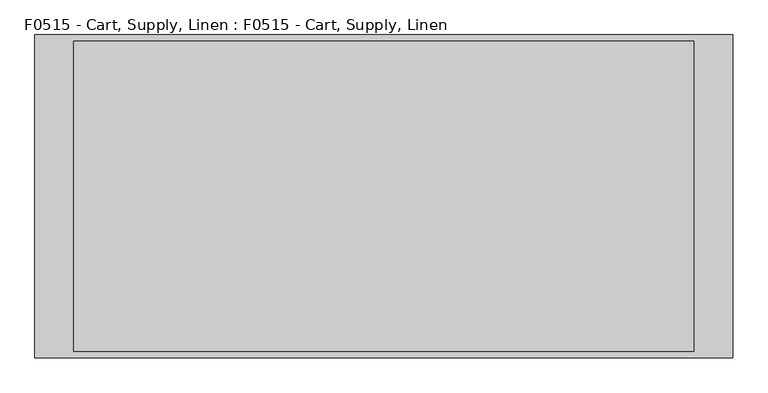
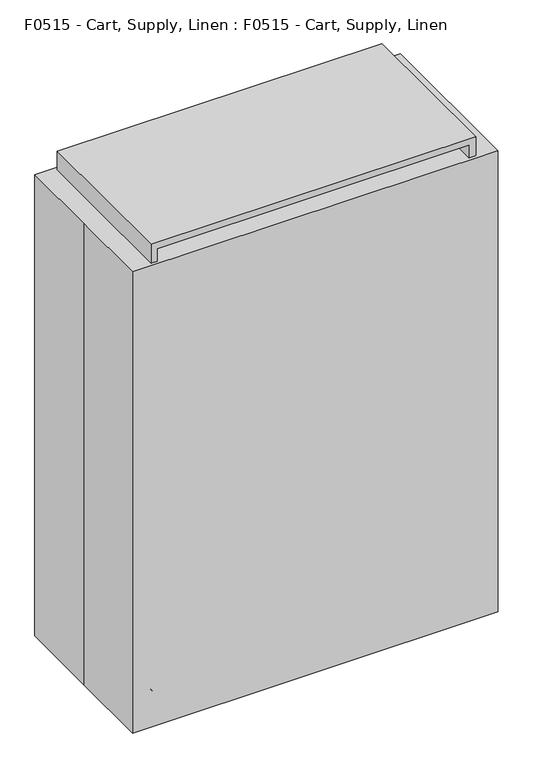
"""IFC4 building model written with IfcOpenShell, lengths in millimetres: proxy geometry, F0515 - Cart, Supply, Linen : F0515 - Cart, Supply, Linen."""

from ifc_helpers import new_model, si_unit, point, frame, frame_2d, origin, origin_with_axes, place, context, project, spatial, polyline, circle_curve, trimmed, segment, composite_curve, outline, extrude, faceted_brep, source, transform, mapped, element, save


def f0515_cart_supply_linen_f0515_cart_supply_linen_772906bd(model_context):
    return source(origin(), model_context, "Body", "SolidModel", [
        extrude(outline(polyline([(138.1125, 609.6), (138.1125, 496.8875), (60.3746094, 542.8753906), (60.3746094, 555.5753906), (138.1125, 609.6)])), frame((0.0, 241.3, 0.0), z_axis=(0.0, 1.0, 0.0), x_axis=(0.0, 0.0, 1.0)), (0.0, 0.0, 1.0), 3.175),
        extrude(outline(polyline([(138.1125, 609.6), (138.1125, 496.8875), (60.3746094, 542.8753906), (60.3746094, 555.5753906), (138.1125, 609.6)])), frame((0.0, 263.525, 0.0), z_axis=(0.0, 1.0, 0.0), x_axis=(0.0, 0.0, 1.0)), (0.0, 0.0, 1.0), 3.175),
        extrude(outline(composite_curve([segment(trimmed(circle_curve(frame_2d((60.3746094, 549.2253906)), 60.3746094), [point((60.3746094, 609.6))], [point((60.3746094, 488.8507812))], False, "CARTESIAN"), True, "CONTINUOUS"), segment(trimmed(circle_curve(frame_2d((60.3746094, 549.2253906)), 60.3746094), [point((60.3746094, 488.8507812))], [point((60.3746094, 609.6))], False, "CARTESIAN"), True, "CONTINUOUS")], self_intersect=False)), frame((0.0, 244.475, 0.0), z_axis=(0.0, 1.0, 0.0), x_axis=(0.0, 0.0, 1.0)), (0.0, 0.0, 1.0), 19.05),
        extrude(outline(composite_curve([segment(trimmed(circle_curve(frame_2d((584.2, 279.4)), 25.4), [point((584.2, 304.8))], [point((609.6, 279.4))], False, "CARTESIAN"), True, "CONTINUOUS"), segment(polyline([(609.6, 279.4), (609.6, 228.6)]), True, "CONTINUOUS"), segment(trimmed(circle_curve(frame_2d((584.2, 228.6)), 25.4), [point((609.6, 228.6))], [point((584.2, 203.2))], False, "CARTESIAN"), True, "CONTINUOUS"), segment(polyline([(584.2, 203.2), (533.4, 203.2)]), True, "CONTINUOUS"), segment(trimmed(circle_curve(frame_2d((533.4, 228.6)), 25.4), [point((533.4, 203.2))], [point((508.0, 228.6))], False, "CARTESIAN"), True, "CONTINUOUS"), segment(polyline([(508.0, 228.6), (508.0, 279.4)]), True, "CONTINUOUS"), segment(trimmed(circle_curve(frame_2d((533.4, 279.4)), 25.4), [point((508.0, 279.4))], [point((533.4, 304.8))], False, "CARTESIAN"), True, "CONTINUOUS"), segment(polyline([(533.4, 304.8), (584.2, 304.8)]), True, "CONTINUOUS")], self_intersect=False)), frame((0.0, 0.0, 138.1125), z_axis=(0.0, 0.0, 1.0), x_axis=(1.0, 0.0, 0.0)), (0.0, 0.0, 1.0), 25.4),
        extrude(outline(polyline([(138.1125, -609.6), (60.3746094, -555.5753906), (60.3746094, -542.8753906), (138.1125, -496.8875), (138.1125, -609.6)])), frame((0.0, 241.3, 0.0), z_axis=(0.0, 1.0, 0.0), x_axis=(0.0, 0.0, 1.0)), (0.0, 0.0, 1.0), 3.175),
        extrude(outline(polyline([(138.1125, -609.6), (60.3746094, -555.5753906), (60.3746094, -542.8753906), (138.1125, -496.8875), (138.1125, -609.6)])), frame((0.0, 263.525, 0.0), z_axis=(0.0, 1.0, 0.0), x_axis=(0.0, 0.0, 1.0)), (0.0, 0.0, 1.0), 3.175),
        extrude(outline(composite_curve([segment(trimmed(circle_curve(frame_2d((60.3746094, -549.2253906)), 60.3746094), [point((60.3746094, -609.6))], [point((60.3746094, -488.8507812))], False, "CARTESIAN"), True, "CONTINUOUS"), segment(trimmed(circle_curve(frame_2d((60.3746094, -549.2253906)), 60.3746094), [point((60.3746094, -488.8507812))], [point((60.3746094, -609.6))], False, "CARTESIAN"), True, "CONTINUOUS")], self_intersect=False)), frame((0.0, 244.475, 0.0), z_axis=(0.0, 1.0, 0.0), x_axis=(0.0, 0.0, 1.0)), (0.0, 0.0, 1.0), 19.05),
        extrude(outline(composite_curve([segment(polyline([(-584.2, 304.8), (-533.4, 304.8)]), True, "CONTINUOUS"), segment(trimmed(circle_curve(frame_2d((-533.4, 279.4)), 25.4), [point((-533.4, 304.8))], [point((-508.0, 279.4))], False, "CARTESIAN"), True, "CONTINUOUS"), segment(polyline([(-508.0, 279.4), (-508.0, 228.6)]), True, "CONTINUOUS"), segment(trimmed(circle_curve(frame_2d((-533.4, 228.6)), 25.4), [point((-508.0, 228.6))], [point((-533.4, 203.2))], False, "CARTESIAN"), True, "CONTINUOUS"), segment(polyline([(-533.4, 203.2), (-584.2, 203.2)]), True, "CONTINUOUS"), segment(trimmed(circle_curve(frame_2d((-584.2, 228.6)), 25.4), [point((-584.2, 203.2))], [point((-609.6, 228.6))], False, "CARTESIAN"), True, "CONTINUOUS"), segment(polyline([(-609.6, 228.6), (-609.6, 279.4)]), True, "CONTINUOUS"), segment(trimmed(circle_curve(frame_2d((-584.2, 279.4)), 25.4), [point((-609.6, 279.4))], [point((-584.2, 304.8))], False, "CARTESIAN"), True, "CONTINUOUS")], self_intersect=False)), frame((0.0, 0.0, 138.1125), z_axis=(0.0, 0.0, 1.0), x_axis=(1.0, 0.0, 0.0)), (0.0, 0.0, 1.0), 25.4),
        extrude(outline(polyline([(138.1125, 609.6), (138.1125, 496.8875), (60.3746094, 542.8753906), (60.3746094, 555.5753906), (138.1125, 609.6)])), frame((0.0, -244.475, 0.0), z_axis=(0.0, 1.0, 0.0), x_axis=(0.0, 0.0, 1.0)), (0.0, 0.0, 1.0), 3.175),
        extrude(outline(polyline([(138.1125, 609.6), (138.1125, 496.8875), (60.3746094, 542.8753906), (60.3746094, 555.5753906), (138.1125, 609.6)])), frame((0.0, -266.7, 0.0), z_axis=(0.0, 1.0, 0.0), x_axis=(0.0, 0.0, 1.0)), (0.0, 0.0, 1.0), 3.175),
        extrude(outline(composite_curve([segment(trimmed(circle_curve(frame_2d((60.3746094, 549.2253906)), 60.3746094), [point((60.3746094, 609.6))], [point((60.3746094, 488.8507812))], False, "CARTESIAN"), True, "CONTINUOUS"), segment(trimmed(circle_curve(frame_2d((60.3746094, 549.2253906)), 60.3746094), [point((60.3746094, 488.8507812))], [point((60.3746094, 609.6))], False, "CARTESIAN"), True, "CONTINUOUS")], self_intersect=False)), frame((0.0, -263.525, 0.0), z_axis=(0.0, 1.0, 0.0), x_axis=(0.0, 0.0, 1.0)), (0.0, 0.0, 1.0), 19.05),
        extrude(outline(composite_curve([segment(polyline([(584.2, -304.8), (533.4, -304.8)]), True, "CONTINUOUS"), segment(trimmed(circle_curve(frame_2d((533.4, -279.4)), 25.4), [point((533.4, -304.8))], [point((508.0, -279.4))], False, "CARTESIAN"), True, "CONTINUOUS"), segment(polyline([(508.0, -279.4), (508.0, -228.6)]), True, "CONTINUOUS"), segment(trimmed(circle_curve(frame_2d((533.4, -228.6)), 25.4), [point((508.0, -228.6))], [point((533.4, -203.2))], False, "CARTESIAN"), True, "CONTINUOUS"), segment(polyline([(533.4, -203.2), (584.2, -203.2)]), True, "CONTINUOUS"), segment(trimmed(circle_curve(frame_2d((584.2, -228.6)), 25.4), [point((584.2, -203.2))], [point((609.6, -228.6))], False, "CARTESIAN"), True, "CONTINUOUS"), segment(polyline([(609.6, -228.6), (609.6, -279.4)]), True, "CONTINUOUS"), segment(trimmed(circle_curve(frame_2d((584.2, -279.4)), 25.4), [point((609.6, -279.4))], [point((584.2, -304.8))], False, "CARTESIAN"), True, "CONTINUOUS")], self_intersect=False)), frame((0.0, 0.0, 138.1125), z_axis=(0.0, 0.0, 1.0), x_axis=(1.0, 0.0, 0.0)), (0.0, 0.0, 1.0), 25.4),
        extrude(outline(polyline([(138.1125, -609.6), (60.3746094, -555.5753906), (60.3746094, -542.8753906), (138.1125, -496.8875), (138.1125, -609.6)])), frame((0.0, -244.475, 0.0), z_axis=(0.0, 1.0, 0.0), x_axis=(0.0, 0.0, 1.0)), (0.0, 0.0, 1.0), 3.175),
        extrude(outline(polyline([(138.1125, -609.6), (60.3746094, -555.5753906), (60.3746094, -542.8753906), (138.1125, -496.8875), (138.1125, -609.6)])), frame((0.0, -266.7, 0.0), z_axis=(0.0, 1.0, 0.0), x_axis=(0.0, 0.0, 1.0)), (0.0, 0.0, 1.0), 3.175),
        extrude(outline(composite_curve([segment(trimmed(circle_curve(frame_2d((60.3746094, -549.2253906)), 60.3746094), [point((60.3746094, -609.6))], [point((60.3746094, -488.8507812))], False, "CARTESIAN"), True, "CONTINUOUS"), segment(trimmed(circle_curve(frame_2d((60.3746094, -549.2253906)), 60.3746094), [point((60.3746094, -488.8507812))], [point((60.3746094, -609.6))], False, "CARTESIAN"), True, "CONTINUOUS")], self_intersect=False)), frame((0.0, -263.525, 0.0), z_axis=(0.0, 1.0, 0.0), x_axis=(0.0, 0.0, 1.0)), (0.0, 0.0, 1.0), 19.05),
        extrude(outline(composite_curve([segment(trimmed(circle_curve(frame_2d((-584.2, -279.4)), 25.4), [point((-584.2, -304.8))], [point((-609.6, -279.4))], False, "CARTESIAN"), True, "CONTINUOUS"), segment(polyline([(-609.6, -279.4), (-609.6, -228.6)]), True, "CONTINUOUS"), segment(trimmed(circle_curve(frame_2d((-584.2, -228.6)), 25.4), [point((-609.6, -228.6))], [point((-584.2, -203.2))], False, "CARTESIAN"), True, "CONTINUOUS"), segment(polyline([(-584.2, -203.2), (-533.4, -203.2)]), True, "CONTINUOUS"), segment(trimmed(circle_curve(frame_2d((-533.4, -228.6)), 25.4), [point((-533.4, -203.2))], [point((-508.0, -228.6))], False, "CARTESIAN"), True, "CONTINUOUS"), segment(polyline([(-508.0, -228.6), (-508.0, -279.4)]), True, "CONTINUOUS"), segment(trimmed(circle_curve(frame_2d((-533.4, -279.4)), 25.4), [point((-508.0, -279.4))], [point((-533.4, -304.8))], False, "CARTESIAN"), True, "CONTINUOUS"), segment(polyline([(-533.4, -304.8), (-584.2, -304.8)]), True, "CONTINUOUS")], self_intersect=False)), frame((0.0, 0.0, 138.1125), z_axis=(0.0, 0.0, 1.0), x_axis=(1.0, 0.0, 0.0)), (0.0, 0.0, 1.0), 25.4),
        faceted_brep([(-609.6, -304.8, 163.5125), (609.6, -304.8, 163.5125), (609.6, -304.8, 1903.4125), (-609.6, -304.8, 1903.4125), (584.2, -304.8, 1878.0125), (584.2, -304.8, 1568.1325), (-584.2, -304.8, 1568.1325), (-584.2, -304.8, 1878.0125), (-584.2, -304.8, 498.7925), (584.2, -304.8, 498.7925), (584.2, -304.8, 188.9125), (-584.2, -304.8, 188.9125), (584.2, -304.8, 1542.7325), (584.2, -304.8, 1220.1525), (-584.2, -304.8, 1220.1525), (-584.2, -304.8, 1542.7325), (584.2, -304.8, 1194.7525), (584.2, -304.8, 872.1725), (-584.2, -304.8, 872.1725), (-584.2, -304.8, 1194.7525), (584.2, -304.8, 846.7725), (584.2, -304.8, 524.1925), (-584.2, -304.8, 524.1925), (-584.2, -304.8, 846.7725), (-609.6, 304.8, 163.5125), (609.6, 304.8, 163.5125), (609.6, 304.8, 1903.4125), (-609.6, 304.8, 1903.4125), (584.2, 279.4, 1878.0125), (584.2, 279.4, 1568.1325), (-584.2, 279.4, 1568.1325), (-584.2, 279.4, 1878.0125), (-584.2, 279.4, 498.7925), (584.2, 279.4, 498.7925), (584.2, 279.4, 188.9125), (-584.2, 279.4, 188.9125), (584.2, 279.4, 1542.7325), (584.2, 279.4, 1220.1525), (-584.2, 279.4, 1220.1525), (-584.2, 279.4, 1542.7325), (584.2, 279.4, 1194.7525), (584.2, 279.4, 872.1725), (-584.2, 279.4, 872.1725), (-584.2, 279.4, 1194.7525), (584.2, 279.4, 846.7725), (584.2, 279.4, 524.1925), (-584.2, 279.4, 524.1925), (-584.2, 279.4, 846.7725)], [[[0, 1, 2, 3], [4, 5, 6, 7], [8, 9, 10, 11], [12, 13, 14, 15], [16, 17, 18, 19], [20, 21, 22, 23]], [[1, 0, 24, 25]], [[2, 1, 25, 26]], [[3, 2, 26, 27]], [[24, 0, 3, 27]], [[5, 4, 28, 29]], [[6, 5, 29, 30]], [[7, 6, 30, 31]], [[4, 7, 31, 28]], [[9, 8, 32, 33]], [[10, 9, 33, 34]], [[11, 10, 34, 35]], [[8, 11, 35, 32]], [[13, 12, 36, 37]], [[14, 13, 37, 38]], [[15, 14, 38, 39]], [[12, 15, 39, 36]], [[17, 16, 40, 41]], [[18, 17, 41, 42]], [[19, 18, 42, 43]], [[16, 19, 43, 40]], [[21, 20, 44, 45]], [[22, 21, 45, 46]], [[23, 22, 46, 47]], [[20, 23, 47, 44]], [[27, 26, 25, 24]], [[29, 28, 31, 30]], [[33, 32, 35, 34]], [[37, 36, 39, 38]], [[41, 40, 43, 42]], [[45, 44, 47, 46]]]),
        extrude(outline(polyline([(-685.8, 317.5), (685.8, 317.5), (685.8, -317.5), (-685.8, -317.5), (-685.8, 0.0), (-685.8, 317.5)])), origin_with_axes(), (0.0, 0.0, 1.0), 1828.8),
    ])


if __name__ == "__main__":
    model = new_model("IFC4")
    model_context = context("Model", 3, world=origin())
    ifc_project = project(units=[si_unit("LENGTHUNIT", "METRE", prefix="MILLI")], contexts=[model_context])
    site = spatial("IfcSite", under=ifc_project)
    building = spatial("IfcBuilding", under=site)
    placement = place(None, origin())
    f0515_cart_supply_linen_f0515_cart_supply_linen_shape = f0515_cart_supply_linen_f0515_cart_supply_linen_772906bd(model_context)
    element("IfcBuildingElementProxy", 1, Name="F0515 - Cart, Supply, Linen : F0515 - Cart, Supply, Linen", ObjectType="F0515 - Cart, Supply, Linen : F0515 - Cart, Supply, Linen", at=placement, inside=building, context=model_context, shape_type="MappedRepresentation", body=[
        mapped(f0515_cart_supply_linen_f0515_cart_supply_linen_shape, transform((0.0, 0.0, 0.0), x_axis=(1.0, 0.0, 0.0), y_axis=(0.0, 1.0, 0.0), z_axis=(0.0, 0.0, 1.0))),
    ])
    save(model, "model.ifc")
